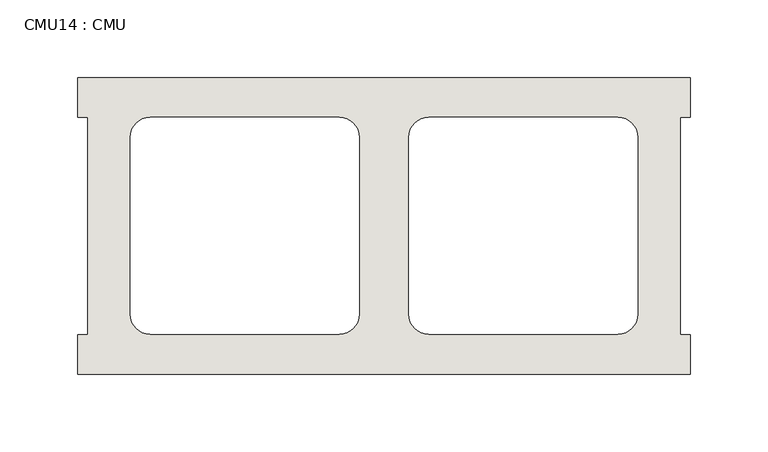
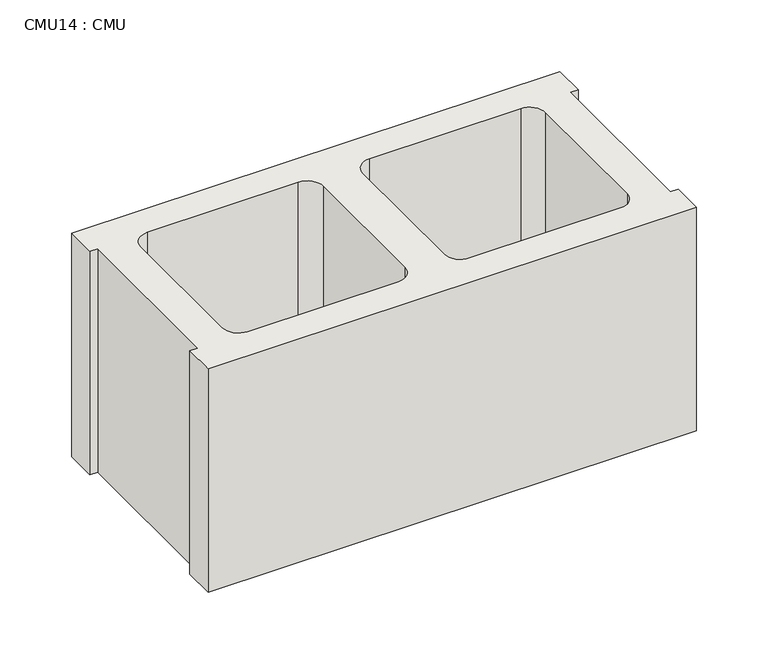
"""IFC4 building model written with IfcOpenShell, lengths in millimetres: wall geometry, CMU14 : CMU."""

from ifc_helpers import new_model, si_unit, point, frame, frame_2d, origin, place, context, project, spatial, polyline, circle_curve, trimmed, segment, composite_curve, outline, extrude, source, transform, mapped, element, save


def cmu14_cmu_b1bb9fd9(model_context):
    return source(origin(), model_context, "Body", "SweptSolid", [
        extrude(outline(polyline([(255.4602062, 2484.2276522), (649.1602062, 2484.2276522), (649.1602062, 2458.8276522), (642.8102062, 2458.8276522), (642.8102062, 2319.1276522), (649.1602062, 2319.1276522), (649.1602062, 2293.7276522), (255.4602062, 2293.7276522), (255.4602062, 2319.1276522), (261.8102062, 2319.1276522), (261.8102062, 2458.8276522), (255.4602062, 2458.8276522), (255.4602062, 2484.2276522)]), holes=[composite_curve([segment(polyline([(423.6282049, 2458.8276522), (301.9115548, 2458.8276522)]), True, "CONTINUOUS"), segment(trimmed(circle_curve(frame_2d((301.9115548, 2446.1276522)), 12.7), [point((301.9115548, 2458.8276522))], [point((289.2115548, 2446.1276522))], True, "CARTESIAN"), True, "CONTINUOUS"), segment(polyline([(289.2115548, 2446.1276522), (289.2115548, 2332.0618125)]), True, "CONTINUOUS"), segment(trimmed(circle_curve(frame_2d((301.9115548, 2332.0618125)), 12.7), [point((289.2115548, 2332.0618125))], [point((301.9115548, 2319.3618125))], True, "CARTESIAN"), True, "CONTINUOUS"), segment(polyline([(301.9115548, 2319.3618125), (423.6282049, 2319.3618125)]), True, "CONTINUOUS"), segment(trimmed(circle_curve(frame_2d((423.6282049, 2332.0618125)), 12.7), [point((423.6282049, 2319.3618125))], [point((436.3282049, 2332.0618125))], True, "CARTESIAN"), True, "CONTINUOUS"), segment(polyline([(436.3282049, 2332.0618125), (436.3282049, 2446.1276522)]), True, "CONTINUOUS"), segment(trimmed(circle_curve(frame_2d((423.6282049, 2446.1276522)), 12.7), [point((436.3282049, 2446.1276522))], [point((423.6282049, 2458.8276522))], True, "CARTESIAN"), True, "CONTINUOUS")], self_intersect=False), composite_curve([segment(trimmed(circle_curve(frame_2d((480.9922075, 2446.1276522)), 12.7), [point((480.9922075, 2458.8276522))], [point((468.2922075, 2446.1276522))], True, "CARTESIAN"), True, "CONTINUOUS"), segment(polyline([(468.2922075, 2446.1276522), (468.2922075, 2332.0618125)]), True, "CONTINUOUS"), segment(trimmed(circle_curve(frame_2d((480.9922075, 2332.0618125)), 12.7), [point((468.2922075, 2332.0618125))], [point((480.9922075, 2319.3618125))], True, "CARTESIAN"), True, "CONTINUOUS"), segment(polyline([(480.9922075, 2319.3618125), (602.7088576, 2319.3618125)]), True, "CONTINUOUS"), segment(trimmed(circle_curve(frame_2d((602.7088576, 2332.0618125)), 12.7), [point((602.7088576, 2319.3618125))], [point((615.4088576, 2332.0618125))], True, "CARTESIAN"), True, "CONTINUOUS"), segment(polyline([(615.4088576, 2332.0618125), (615.4088576, 2446.1276522)]), True, "CONTINUOUS"), segment(trimmed(circle_curve(frame_2d((602.7088576, 2446.1276522)), 12.7), [point((615.4088576, 2446.1276522))], [point((602.7088576, 2458.8276522))], True, "CARTESIAN"), True, "CONTINUOUS"), segment(polyline([(602.7088576, 2458.8276522), (480.9922075, 2458.8276522)]), True, "CONTINUOUS")], self_intersect=False)]), frame((0.0, 0.0, 723.9), z_axis=(0.0, 0.0, 1.0), x_axis=(1.0, 0.0, 0.0)), (0.0, 0.0, 1.0), 190.5),
    ])


if __name__ == "__main__":
    model = new_model("IFC4")
    model_context = context("Model", 3, world=origin())
    ifc_project = project(units=[si_unit("LENGTHUNIT", "METRE", prefix="MILLI")], contexts=[model_context])
    site = spatial("IfcSite", under=ifc_project)
    building = spatial("IfcBuilding", under=site)
    placement = place(None, origin())
    cmu14_cmu_shape = cmu14_cmu_b1bb9fd9(model_context)
    element("IfcWall", 1, ObjectType="CMU14 : CMU", at=placement, inside=building, context=model_context, shape_type="MappedRepresentation", body=[
        mapped(cmu14_cmu_shape, transform((0.0, 0.0, 0.0), x_axis=(1.0, 0.0, 0.0), y_axis=(0.0, 1.0, 0.0), z_axis=(0.0, 0.0, 1.0))),
    ])
    save(model, "model.ifc")
